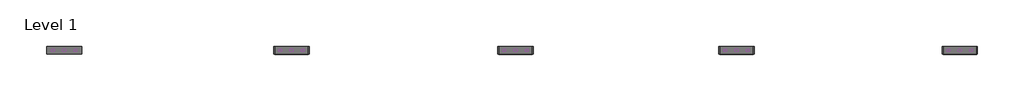
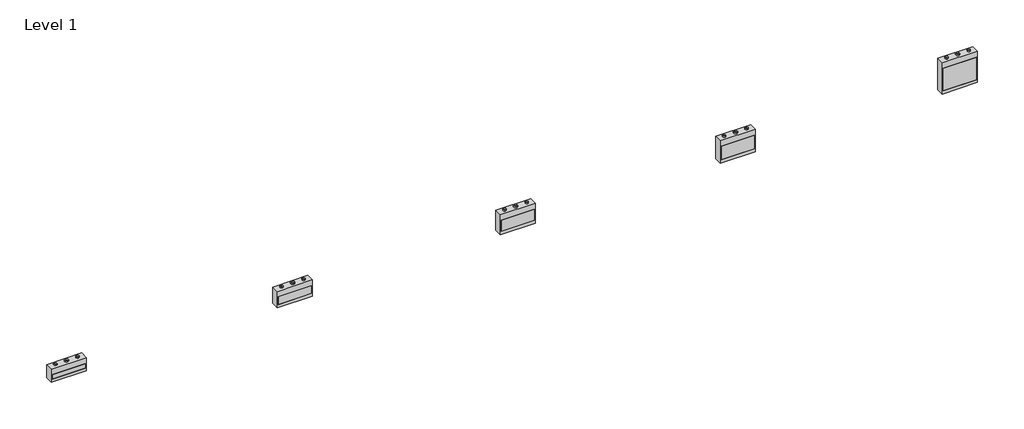
# One storey: 20 proxies.
"""IFC4 building model written with IfcOpenShell, lengths in millimetres."""

import ifcopenshell
import ifcopenshell.guid

model = None  # the IFC model being written
_history = None  # IfcOwnerHistory: only IFC2X3 demands one
_inside = {}  # id of a spatial element -> (the spatial element, [elements in it])
_under = {}  # id of a project, library or spatial element -> (it, [spatial elements below it])
_declared = {}  # id of a project -> (the project, [libraries it declares])
_typed = {}  # id of a type object -> (the type object, [elements of that type])
_made_of = {}  # id of a material, layer set ... -> (it, [elements and type objects made of it])


def new_model(schema):
    """Start an empty IFC model of exactly this schema.

    Asked for "IFC4X3", IfcOpenShell would pick the latest addendum, in which some entities
    have other attributes; the version numbers below select the first issue.
    IFC2X3 requires an IfcOwnerHistory on every rooted entity: one is made here for all.
    """
    global model, _history
    if schema == "IFC4X3":
        model = ifcopenshell.file(schema_version=(4, 3, 0, 0))
    else:
        model = ifcopenshell.file(schema=schema)
    _inside.clear()
    _under.clear()
    _declared.clear()
    _typed.clear()
    _made_of.clear()
    _history = None
    if model.schema == "IFC2X3":
        org = make("IfcOrganization", Name="unknown")
        user = make(
            "IfcPersonAndOrganization",
            ThePerson=make("IfcPerson", FamilyName="unknown"),
            TheOrganization=org,
        )
        app = make(
            "IfcApplication",
            ApplicationDeveloper=org,
            Version="unknown",
            ApplicationFullName="unknown",
            ApplicationIdentifier="unknown",
        )
        _history = make(
            "IfcOwnerHistory",
            OwningUser=user,
            OwningApplication=app,
            ChangeAction="ADDED",
            CreationDate=0,
        )
    return model


def make(cls, **values):
    """One entity of the class cls with the attributes given. An attribute that is None is left unset."""
    return model.create_entity(
        cls, **{name: value for name, value in values.items() if value is not None}
    )


def rooted(cls, **values):
    """An entity with a GlobalId (a new one), such as an element, a storey or a relation."""
    return make(cls, GlobalId=ifcopenshell.guid.new(), OwnerHistory=_history, **values)


def si_unit(unit_type, name, prefix=None):
    """IfcSIUnit, for example si_unit("LENGTHUNIT", "METRE", prefix="MILLI")."""
    return make("IfcSIUnit", UnitType=unit_type, Prefix=prefix, Name=name)


def assignment(units):
    """IfcUnitAssignment: the units of a project."""
    return None if units is None else make("IfcUnitAssignment", Units=units)


def point(xyz):
    """IfcCartesianPoint."""
    return None if xyz is None else make("IfcCartesianPoint", Coordinates=xyz)


def direction(xyz):
    """IfcDirection."""
    return None if xyz is None else make("IfcDirection", DirectionRatios=xyz)


def frame(location, z_axis=None, x_axis=None):
    """IfcAxis2Placement3D, a coordinate frame: its origin and axes. An axis left out is left unset."""
    return make(
        "IfcAxis2Placement3D",
        Location=point(location),
        Axis=direction(z_axis),
        RefDirection=direction(x_axis),
    )


def frame_2d(location, x_axis=None):
    """IfcAxis2Placement2D, a coordinate frame in the plane: its origin and x axis."""
    return make(
        "IfcAxis2Placement2D", Location=point(location), RefDirection=direction(x_axis)
    )


def origin():
    """The frame at (0, 0, 0) with its axes left unset."""
    return frame((0.0, 0.0, 0.0))


def origin_with_axes():
    """The frame at (0, 0, 0) with the z axis (0, 0, 1) and the x axis (1, 0, 0) written out."""
    return frame((0.0, 0.0, 0.0), z_axis=(0.0, 0.0, 1.0), x_axis=(1.0, 0.0, 0.0))


def origin_2d():
    """The frame at (0, 0) in the plane with its x axis left unset."""
    return frame_2d((0.0, 0.0))


def place(relative_to, where):
    """IfcLocalPlacement: puts the frame where relative to a parent placement (None: the world)."""
    return make(
        "IfcLocalPlacement", PlacementRelTo=relative_to, RelativePlacement=where
    )


def context(
    kind, dimensions, precision=None, world=None, true_north=None, identifier=None
):
    """IfcGeometricRepresentationContext, for example the 3D "Model" context."""
    return make(
        "IfcGeometricRepresentationContext",
        ContextIdentifier=identifier,
        ContextType=kind,
        CoordinateSpaceDimension=dimensions,
        Precision=precision,
        WorldCoordinateSystem=world,
        TrueNorth=true_north,
    )


def project(units=None, contexts=None):
    """IfcProject with its units and contexts."""
    return rooted(
        "IfcProject",
        Name="project",
        RepresentationContexts=contexts,
        UnitsInContext=assignment(units),
    )


def spatial(cls, under=None, at=None, **own):
    """A site, building, storey or space (cls), placed at a placement, below another one or the project."""
    s = rooted(cls, ObjectPlacement=at, **own)
    if under is not None:
        _under.setdefault(under.id(), (under, []))[1].append(s)
    return s


def polyline(points):
    """IfcPolyline through the points."""
    return make("IfcPolyline", Points=[point(p) for p in points])


def circle_curve(where, radius):
    """IfcCircle in the frame where."""
    return make("IfcCircle", Position=where, Radius=radius)


def trimmed(basis, trim1, trim2, sense, master):
    """IfcTrimmedCurve: the piece of a basis curve between two trims."""
    return make(
        "IfcTrimmedCurve",
        BasisCurve=basis,
        Trim1=trim1,
        Trim2=trim2,
        SenseAgreement=sense,
        MasterRepresentation=master,
    )


def segment(curve, same_sense, transition):
    """IfcCompositeCurveSegment."""
    return make(
        "IfcCompositeCurveSegment",
        Transition=transition,
        SameSense=same_sense,
        ParentCurve=curve,
    )


def composite_curve(segments, self_intersect=None):
    """IfcCompositeCurve: segments joined end to end."""
    return make("IfcCompositeCurve", Segments=segments, SelfIntersect=self_intersect)


def outline(outer, holes=None, kind="AREA"):
    """IfcArbitraryClosedProfileDef: a profile drawn as a closed curve; with holes, ...WithVoids."""
    if holes is None:
        return make("IfcArbitraryClosedProfileDef", ProfileType=kind, OuterCurve=outer)
    return make(
        "IfcArbitraryProfileDefWithVoids",
        ProfileType=kind,
        OuterCurve=outer,
        InnerCurves=holes,
    )


def extrude(swept, where, along, depth):
    """IfcExtrudedAreaSolid: the profile swept, set in the frame where, extruded along a direction by depth."""
    return make(
        "IfcExtrudedAreaSolid",
        SweptArea=swept,
        Position=where,
        ExtrudedDirection=direction(along),
        Depth=depth,
    )


def shape(context_of_items, identifier, shape_type, items):
    """IfcShapeRepresentation: the items that make up one representation, for example the "Body"."""
    return make(
        "IfcShapeRepresentation",
        ContextOfItems=context_of_items,
        RepresentationIdentifier=identifier,
        RepresentationType=shape_type,
        Items=items,
    )


def source(mapping_origin, context_of_items, identifier, shape_type, items):
    """IfcRepresentationMap: a shape defined once, which mapped items show again and again."""
    return make(
        "IfcRepresentationMap",
        MappingOrigin=mapping_origin,
        MappedRepresentation=shape(context_of_items, identifier, shape_type, items),
    )


def transform(
    local_origin,
    x_axis=None,
    y_axis=None,
    z_axis=None,
    scale=None,
    scale2=None,
    scale3=None,
    uniform=True,
):
    """IfcCartesianTransformationOperator3D, or its non-uniform kind. x_axis, y_axis, z_axis: its Axis1, 2, 3."""
    if uniform:
        return make(
            "IfcCartesianTransformationOperator3D",
            Axis1=direction(x_axis),
            Axis2=direction(y_axis),
            LocalOrigin=point(local_origin),
            Scale=scale,
            Axis3=direction(z_axis),
        )
    return make(
        "IfcCartesianTransformationOperator3DnonUniform",
        Axis1=direction(x_axis),
        Axis2=direction(y_axis),
        LocalOrigin=point(local_origin),
        Scale=scale,
        Axis3=direction(z_axis),
        Scale2=scale2,
        Scale3=scale3,
    )


def mapped(mapping_source, mapping_target):
    """IfcMappedItem: shows the shape of a source again, moved by a transform."""
    return make(
        "IfcMappedItem", MappingSource=mapping_source, MappingTarget=mapping_target
    )


def made_of(thing, what):
    """Note that an element or type object is made of a material, layer set ...; save() writes the relation."""
    if what is not None:
        _made_of.setdefault(what.id(), (what, []))[1].append(thing)
    return thing


def element(
    cls,
    number,
    at=None,
    inside=None,
    cuts=None,
    type_object=None,
    material=None,
    context=None,
    identifier="Body",
    shape_type=None,
    held_by="IfcProductDefinitionShape",
    body=None,
    shapes=None,
    **own,
):
    """One element of the class cls, such as IfcWall. Its Tag is "e" and its number.

    at: its placement. inside: the storey or other place that contains it. cuts: it is an
    opening in that element (IfcRelVoidsElement). A single representation is given by context,
    identifier, shape_type and body (its items); several are given by shapes. held_by: the class
    of the entity that holds the representations. save() writes the other relations.
    """
    e = rooted(cls, Tag="e%d" % number, ObjectPlacement=at, **own)
    if body is not None:
        shapes = [shape(context, identifier, shape_type, body)]
    if shapes is not None:
        e.Representation = make(held_by, Representations=shapes)
    if inside is not None:
        _inside.setdefault(inside.id(), (inside, []))[1].append(e)
    if cuts is not None:
        rooted(
            "IfcRelVoidsElement", RelatingBuildingElement=cuts, RelatedOpeningElement=e
        )
    if type_object is not None:
        _typed.setdefault(type_object.id(), (type_object, []))[1].append(e)
    return made_of(e, material)


def aggregate(whole, parts):
    """IfcRelAggregates: a whole, such as a stair, and the parts it consists of."""
    return rooted("IfcRelAggregates", RelatingObject=whole, RelatedObjects=parts)


def save(model, path):
    """Write the relations noted so far, then the file.

    IfcRelAggregates (storeys below a building ...), IfcRelContainedInSpatialStructure (elements
    in a storey), IfcRelDefinesByType, IfcRelAssociatesMaterial and IfcRelDeclares: one each for
    every whole, place, type object, material and project.
    """
    for whole, parts in _under.values():
        aggregate(whole, parts)
    for where, things in _inside.values():
        rooted(
            "IfcRelContainedInSpatialStructure",
            RelatedElements=things,
            RelatingStructure=where,
        )
    for kind, things in _typed.values():
        rooted("IfcRelDefinesByType", RelatedObjects=things, RelatingType=kind)
    for what, things in _made_of.values():
        rooted("IfcRelAssociatesMaterial", RelatedObjects=things, RelatingMaterial=what)
    for by, libraries in _declared.values():
        rooted("IfcRelDeclares", RelatingContext=by, RelatedDefinitions=libraries)
    model.write(path)


def as_specified_adc85d4e(model_context):
    return source(origin(), model_context, "Body", "SweptSolid", [
        extrude(outline(polyline([(-1120.775, -676.275), (-1120.775, 676.275), (1120.775, 676.275), (1120.775, -676.275), (-1120.775, -676.275)]), holes=[polyline([(1060.45, 292.1), (-1060.45, 292.1), (-1060.45, -469.9), (1060.45, -469.9), (1060.45, 292.1)])]), frame((0.0, 0.0, -530.225), z_axis=(0.0, 0.0, 1.0), x_axis=(1.0, 0.0, 0.0)), (0.0, 0.0, 1.0), 504.825),
        extrude(outline(polyline([(1060.45, 292.1), (1060.45, -469.9), (-1060.45, -469.9), (-1060.45, 292.1), (1060.45, 292.1)])), frame((0.0, 0.0, -530.225), z_axis=(0.0, 0.0, 1.0), x_axis=(1.0, 0.0, 0.0)), (0.0, 0.0, 1.0), 504.825),
    ])


def as_specified_7f6feaa9(model_context):
    return source(origin(), model_context, "Body", "SweptSolid", [
        extrude(outline(polyline([(1120.775, 752.475), (1120.775, -752.475), (-1120.775, -752.475), (-1120.775, 752.475), (1120.775, 752.475)]), holes=[polyline([(1060.45, 368.3), (-1060.45, 368.3), (-1060.45, -546.1), (1060.45, -546.1), (1060.45, 368.3)])]), frame((0.0, 0.0, -530.225), z_axis=(0.0, 0.0, 1.0), x_axis=(1.0, 0.0, 0.0)), (0.0, 0.0, 1.0), 504.825),
        extrude(outline(polyline([(1060.45, 368.3), (1060.45, -546.1), (-1060.45, -546.1), (-1060.45, 368.3), (1060.45, 368.3)])), frame((0.0, 0.0, -530.225), z_axis=(0.0, 0.0, 1.0), x_axis=(1.0, 0.0, 0.0)), (0.0, 0.0, 1.0), 504.825),
    ])


def as_specified_4b751398(model_context):
    return source(origin(), model_context, "Body", "SweptSolid", [
        extrude(outline(polyline([(-1120.775, -1057.275), (-1120.775, 1057.275), (1120.775, 1057.275), (1120.775, -1057.275), (-1120.775, -1057.275)]), holes=[polyline([(1060.45, 673.1), (-1060.45, 673.1), (-1060.45, -850.9), (1060.45, -850.9), (1060.45, 673.1)])]), frame((0.0, 0.0, -530.225), z_axis=(0.0, 0.0, 1.0), x_axis=(1.0, 0.0, 0.0)), (0.0, 0.0, 1.0), 504.825),
        extrude(outline(polyline([(1060.45, 673.1), (1060.45, -850.9), (-1060.45, -850.9), (-1060.45, 673.1), (1060.45, 673.1)])), frame((0.0, 0.0, -530.225), z_axis=(0.0, 0.0, 1.0), x_axis=(1.0, 0.0, 0.0)), (0.0, 0.0, 1.0), 504.825),
    ])


def as_specified_d874a757(model_context):
    return source(origin(), model_context, "Body", "SweptSolid", [
        extrude(outline(polyline([(1120.775, 447.675), (1120.775, -447.675), (-1120.775, -447.675), (-1120.775, 447.675), (1120.775, 447.675)]), holes=[polyline([(1060.45, 63.5), (-1060.45, 63.5), (-1060.45, -241.3), (1060.45, -241.3), (1060.45, 63.5)])]), frame((0.0, 0.0, -530.225), z_axis=(0.0, 0.0, 1.0), x_axis=(1.0, 0.0, 0.0)), (0.0, 0.0, 1.0), 504.825),
        extrude(outline(polyline([(1060.45, 63.5), (1060.45, -241.3), (-1060.45, -241.3), (-1060.45, 63.5), (1060.45, 63.5)])), frame((0.0, 0.0, -530.225), z_axis=(0.0, 0.0, 1.0), x_axis=(1.0, 0.0, 0.0)), (0.0, 0.0, 1.0), 504.825),
    ])


def as_specified_f446b2c6(model_context):
    return source(origin(), model_context, "Body", "SweptSolid", [
        extrude(outline(polyline([(-1120.775, -549.275), (-1120.775, 549.275), (1120.775, 549.275), (1120.775, -549.275), (-1120.775, -549.275)]), holes=[polyline([(1060.45, 165.1), (-1060.45, 165.1), (-1060.45, -342.9), (1060.45, -342.9), (1060.45, 165.1)])]), frame((0.0, 0.0, -530.225), z_axis=(0.0, 0.0, 1.0), x_axis=(1.0, 0.0, 0.0)), (0.0, 0.0, 1.0), 504.825),
        extrude(outline(polyline([(1060.45, 165.1), (1060.45, -342.9), (-1060.45, -342.9), (-1060.45, 165.1), (1060.45, 165.1)])), frame((0.0, 0.0, -530.225), z_axis=(0.0, 0.0, 1.0), x_axis=(1.0, 0.0, 0.0)), (0.0, 0.0, 1.0), 504.825),
    ])


def proxy_6224372d(model_context):
    return source(origin(), model_context, "Body", "SweptSolid", [
        extrude(outline(composite_curve([segment(trimmed(circle_curve(origin_2d(), 100.0125), [point((-100.0125, 0.0))], [point((100.0125, 0.0))], False, "CARTESIAN"), True, "CONTINUOUS"), segment(trimmed(circle_curve(origin_2d(), 100.0125), [point((100.0125, 0.0))], [point((-100.0125, 0.0))], False, "CARTESIAN"), True, "CONTINUOUS")], self_intersect=False), holes=[composite_curve([segment(trimmed(circle_curve(origin_2d(), 98.425), [point((-98.425, 0.0))], [point((98.425, 0.0))], True, "CARTESIAN"), True, "CONTINUOUS"), segment(trimmed(circle_curve(origin_2d(), 98.425), [point((98.425, 0.0))], [point((-98.425, 0.0))], True, "CARTESIAN"), True, "CONTINUOUS")], self_intersect=False)]), origin_with_axes(), (0.0, 0.0, 1.0), 76.2),
    ])


def proxy_d8bd2570(model_context):
    return source(origin(), model_context, "Body", "SweptSolid", [
        extrude(outline(composite_curve([segment(trimmed(circle_curve(origin_2d(), 123.825), [point((-123.825, 0.0))], [point((123.825, 0.0))], False, "CARTESIAN"), True, "CONTINUOUS"), segment(trimmed(circle_curve(origin_2d(), 123.825), [point((123.825, 0.0))], [point((-123.825, 0.0))], False, "CARTESIAN"), True, "CONTINUOUS")], self_intersect=False), holes=[composite_curve([segment(trimmed(circle_curve(origin_2d(), 122.2375), [point((-122.2375, 0.0))], [point((122.2375, 0.0))], True, "CARTESIAN"), True, "CONTINUOUS"), segment(trimmed(circle_curve(origin_2d(), 122.2375), [point((122.2375, 0.0))], [point((-122.2375, 0.0))], True, "CARTESIAN"), True, "CONTINUOUS")], self_intersect=False)]), origin_with_axes(), (0.0, 0.0, 1.0), 76.2),
    ])


model = new_model("IFC4")

# Units and contexts
model_context = context("Model", 3, world=origin())
ifc_project = project(units=[si_unit("LENGTHUNIT", "METRE", prefix="MILLI")], contexts=[model_context])

# Site, building, storey
site = spatial("IfcSite", under=ifc_project)
building = spatial("IfcBuilding", under=site)
storey = spatial("IfcBuildingStorey", under=building, Name="Level 1", Elevation=0.0)

# Proxies
placement = place(None, origin())
as_specified_shape = as_specified_adc85d4e(model_context)
element("IfcBuildingElementProxy", 1, Name="As Specified", ObjectType="As Specified", at=placement, inside=storey, context=model_context, shape_type="MappedRepresentation", body=[
    mapped(as_specified_shape, transform((14791.2574402, 1616.7712992, 1219.2), x_axis=(1.0, 0.0, 0.0), y_axis=(0.0, 0.0, 1.0), z_axis=(0.0, -1.0, 0.0))),
])
as_specified_2_shape = as_specified_7f6feaa9(model_context)
element("IfcBuildingElementProxy", 2, Name="As Specified", ObjectType="As Specified", at=placement, inside=storey, context=model_context, shape_type="MappedRepresentation", body=[
    mapped(as_specified_2_shape, transform((28812.0574402, 1616.7712992, 1219.2), x_axis=(1.0, 0.0, 0.0), y_axis=(0.0, 0.0, 1.0), z_axis=(0.0, -1.0, 0.0))),
])
as_specified_3_shape = as_specified_4b751398(model_context)
element("IfcBuildingElementProxy", 3, Name="As Specified", ObjectType="As Specified", at=placement, inside=storey, context=model_context, shape_type="MappedRepresentation", body=[
    mapped(as_specified_3_shape, transform((42985.2574402, 1616.7712992, 1219.2), x_axis=(1.0, 0.0, 0.0), y_axis=(0.0, 0.0, 1.0), z_axis=(0.0, -1.0, 0.0))),
])
as_specified_4_shape = as_specified_d874a757(model_context)
element("IfcBuildingElementProxy", 4, Name="As Specified", ObjectType="As Specified", at=placement, inside=storey, context=model_context, shape_type="MappedRepresentation", body=[
    mapped(as_specified_4_shape, transform((-13859.9425598, 1616.7712992, 1066.8), x_axis=(1.0, 0.0, 0.0), y_axis=(0.0, 0.0, 1.0), z_axis=(0.0, -1.0, 0.0))),
])
as_specified_5_shape = as_specified_f446b2c6(model_context)
element("IfcBuildingElementProxy", 5, Name="As Specified", ObjectType="As Specified", at=placement, inside=storey, context=model_context, shape_type="MappedRepresentation", body=[
    mapped(as_specified_5_shape, transform((565.6597121, 1616.7712992, 1144.6311604), x_axis=(1.0, 0.0, 0.0), y_axis=(0.0, 0.0, 1.0), z_axis=(0.0, -1.0, 0.0))),
])
proxy_shape = proxy_6224372d(model_context)
element("IfcBuildingElementProxy", 6, Name="Duct Dia : 7 7/8\" Dia", ObjectType="Duct Dia : 7 7/8\" Dia", at=placement, inside=storey, context=model_context, shape_type="MappedRepresentation", body=[
    mapped(proxy_shape, transform((-14571.1425598, 1894.5837992, 1514.475), x_axis=(0.0, -1.0, 0.0), y_axis=(1.0, 0.0, 0.0), z_axis=(0.0, 0.0, 1.0))),
])
element("IfcBuildingElementProxy", 7, Name="Duct Dia : 7 7/8\" Dia", ObjectType="Duct Dia : 7 7/8\" Dia", at=placement, inside=storey, context=model_context, shape_type="MappedRepresentation", body=[
    mapped(proxy_shape, transform((-145.5402879, 1894.5837992, 1693.9061604), x_axis=(0.0, -1.0, 0.0), y_axis=(1.0, 0.0, 0.0), z_axis=(0.0, 0.0, 1.0))),
])
element("IfcBuildingElementProxy", 8, Name="Duct Dia : 7 7/8\" Dia", ObjectType="Duct Dia : 7 7/8\" Dia", at=placement, inside=storey, context=model_context, shape_type="MappedRepresentation", body=[
    mapped(proxy_shape, transform((14080.0574402, 1894.5837992, 1895.475), x_axis=(0.0, -1.0, 0.0), y_axis=(1.0, 0.0, 0.0), z_axis=(0.0, 0.0, 1.0))),
])
element("IfcBuildingElementProxy", 9, Name="Duct Dia : 7 7/8\" Dia", ObjectType="Duct Dia : 7 7/8\" Dia", at=placement, inside=storey, context=model_context, shape_type="MappedRepresentation", body=[
    mapped(proxy_shape, transform((28100.8574402, 1894.5837992, 1971.675), x_axis=(0.0, -1.0, 0.0), y_axis=(1.0, 0.0, 0.0), z_axis=(0.0, 0.0, 1.0))),
])
element("IfcBuildingElementProxy", 10, Name="Duct Dia : 7 7/8\" Dia", ObjectType="Duct Dia : 7 7/8\" Dia", at=placement, inside=storey, context=model_context, shape_type="MappedRepresentation", body=[
    mapped(proxy_shape, transform((42274.0574402, 1894.5837992, 2276.475), x_axis=(0.0, -1.0, 0.0), y_axis=(1.0, 0.0, 0.0), z_axis=(0.0, 0.0, 1.0))),
])
element("IfcBuildingElementProxy", 11, Name="Duct Dia : 7 7/8\" Dia", ObjectType="Duct Dia : 7 7/8\" Dia", at=placement, inside=storey, context=model_context, shape_type="MappedRepresentation", body=[
    mapped(proxy_shape, transform((-13148.7425598, 1894.5837992, 1514.475), x_axis=(0.0, -1.0, 0.0), y_axis=(1.0, 0.0, 0.0), z_axis=(0.0, 0.0, 1.0))),
])
element("IfcBuildingElementProxy", 12, Name="Duct Dia : 7 7/8\" Dia", ObjectType="Duct Dia : 7 7/8\" Dia", at=placement, inside=storey, context=model_context, shape_type="MappedRepresentation", body=[
    mapped(proxy_shape, transform((1276.8597121, 1894.5837992, 1693.9061604), x_axis=(0.0, -1.0, 0.0), y_axis=(1.0, 0.0, 0.0), z_axis=(0.0, 0.0, 1.0))),
])
element("IfcBuildingElementProxy", 13, Name="Duct Dia : 7 7/8\" Dia", ObjectType="Duct Dia : 7 7/8\" Dia", at=placement, inside=storey, context=model_context, shape_type="MappedRepresentation", body=[
    mapped(proxy_shape, transform((15502.4574402, 1894.5837992, 1895.475), x_axis=(0.0, -1.0, 0.0), y_axis=(1.0, 0.0, 0.0), z_axis=(0.0, 0.0, 1.0))),
])
element("IfcBuildingElementProxy", 14, Name="Duct Dia : 7 7/8\" Dia", ObjectType="Duct Dia : 7 7/8\" Dia", at=placement, inside=storey, context=model_context, shape_type="MappedRepresentation", body=[
    mapped(proxy_shape, transform((29523.2574402, 1894.5837992, 1971.675), x_axis=(0.0, -1.0, 0.0), y_axis=(1.0, 0.0, 0.0), z_axis=(0.0, 0.0, 1.0))),
])
element("IfcBuildingElementProxy", 15, Name="Duct Dia : 7 7/8\" Dia", ObjectType="Duct Dia : 7 7/8\" Dia", at=placement, inside=storey, context=model_context, shape_type="MappedRepresentation", body=[
    mapped(proxy_shape, transform((43696.4574402, 1894.5837992, 2276.475), x_axis=(0.0, -1.0, 0.0), y_axis=(1.0, 0.0, 0.0), z_axis=(0.0, 0.0, 1.0))),
])
proxy_2_shape = proxy_d8bd2570(model_context)
element("IfcBuildingElementProxy", 16, Name="Duct Dia : 9 3/4\" Dia.", ObjectType="Duct Dia : 9 3/4\" Dia.", at=placement, inside=storey, context=model_context, shape_type="MappedRepresentation", body=[
    mapped(proxy_2_shape, transform((-13859.9425598, 1894.5837992, 1514.475), x_axis=(0.0, -1.0, 0.0), y_axis=(1.0, 0.0, 0.0), z_axis=(0.0, 0.0, 1.0))),
])
element("IfcBuildingElementProxy", 17, Name="Duct Dia : 9 3/4\" Dia.", ObjectType="Duct Dia : 9 3/4\" Dia.", at=placement, inside=storey, context=model_context, shape_type="MappedRepresentation", body=[
    mapped(proxy_2_shape, transform((565.6597121, 1894.5837992, 1693.9061604), x_axis=(0.0, -1.0, 0.0), y_axis=(1.0, 0.0, 0.0), z_axis=(0.0, 0.0, 1.0))),
])
element("IfcBuildingElementProxy", 18, Name="Duct Dia : 9 3/4\" Dia.", ObjectType="Duct Dia : 9 3/4\" Dia.", at=placement, inside=storey, context=model_context, shape_type="MappedRepresentation", body=[
    mapped(proxy_2_shape, transform((14791.2574402, 1894.5837992, 1895.475), x_axis=(0.0, -1.0, 0.0), y_axis=(1.0, 0.0, 0.0), z_axis=(0.0, 0.0, 1.0))),
])
element("IfcBuildingElementProxy", 19, Name="Duct Dia : 9 3/4\" Dia.", ObjectType="Duct Dia : 9 3/4\" Dia.", at=placement, inside=storey, context=model_context, shape_type="MappedRepresentation", body=[
    mapped(proxy_2_shape, transform((28812.0574402, 1894.5837992, 1971.675), x_axis=(0.0, -1.0, 0.0), y_axis=(1.0, 0.0, 0.0), z_axis=(0.0, 0.0, 1.0))),
])
element("IfcBuildingElementProxy", 20, Name="Duct Dia : 9 3/4\" Dia.", ObjectType="Duct Dia : 9 3/4\" Dia.", at=placement, inside=storey, context=model_context, shape_type="MappedRepresentation", body=[
    mapped(proxy_2_shape, transform((42985.2574402, 1894.5837992, 2276.475), x_axis=(0.0, -1.0, 0.0), y_axis=(1.0, 0.0, 0.0), z_axis=(0.0, 0.0, 1.0))),
])

save(model, "model.ifc")
